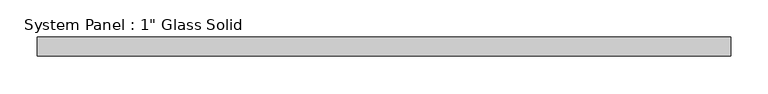
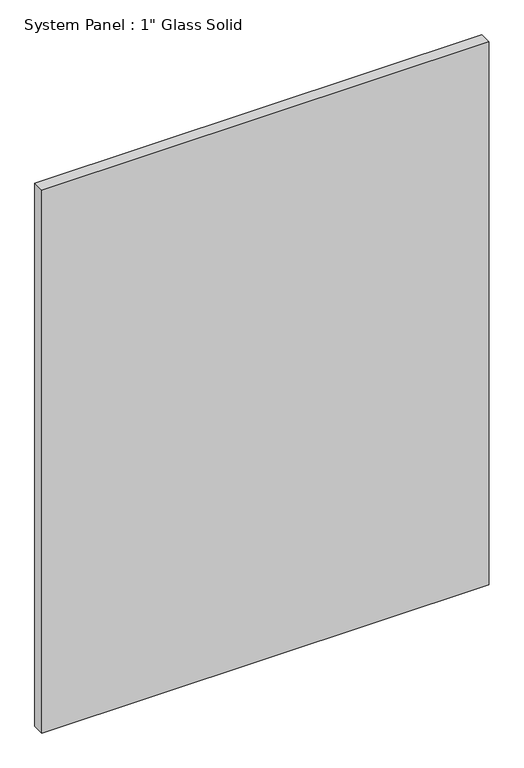
"""IFC4 building model written with IfcOpenShell, lengths in millimetres: plate geometry."""

import ifcopenshell
import ifcopenshell.guid

model = None  # the IFC model being written
_history = None  # IfcOwnerHistory: only IFC2X3 demands one
_inside = {}  # id of a spatial element -> (the spatial element, [elements in it])
_under = {}  # id of a project, library or spatial element -> (it, [spatial elements below it])
_declared = {}  # id of a project -> (the project, [libraries it declares])
_typed = {}  # id of a type object -> (the type object, [elements of that type])
_made_of = {}  # id of a material, layer set ... -> (it, [elements and type objects made of it])


def new_model(schema):
    """Start an empty IFC model of exactly this schema.

    Asked for "IFC4X3", IfcOpenShell would pick the latest addendum, in which some entities
    have other attributes; the version numbers below select the first issue.
    IFC2X3 requires an IfcOwnerHistory on every rooted entity: one is made here for all.
    """
    global model, _history
    if schema == "IFC4X3":
        model = ifcopenshell.file(schema_version=(4, 3, 0, 0))
    else:
        model = ifcopenshell.file(schema=schema)
    _inside.clear()
    _under.clear()
    _declared.clear()
    _typed.clear()
    _made_of.clear()
    _history = None
    if model.schema == "IFC2X3":
        org = make("IfcOrganization", Name="unknown")
        user = make(
            "IfcPersonAndOrganization",
            ThePerson=make("IfcPerson", FamilyName="unknown"),
            TheOrganization=org,
        )
        app = make(
            "IfcApplication",
            ApplicationDeveloper=org,
            Version="unknown",
            ApplicationFullName="unknown",
            ApplicationIdentifier="unknown",
        )
        _history = make(
            "IfcOwnerHistory",
            OwningUser=user,
            OwningApplication=app,
            ChangeAction="ADDED",
            CreationDate=0,
        )
    return model


def make(cls, **values):
    """One entity of the class cls with the attributes given. An attribute that is None is left unset."""
    return model.create_entity(
        cls, **{name: value for name, value in values.items() if value is not None}
    )


def rooted(cls, **values):
    """An entity with a GlobalId (a new one), such as an element, a storey or a relation."""
    return make(cls, GlobalId=ifcopenshell.guid.new(), OwnerHistory=_history, **values)


def si_unit(unit_type, name, prefix=None):
    """IfcSIUnit, for example si_unit("LENGTHUNIT", "METRE", prefix="MILLI")."""
    return make("IfcSIUnit", UnitType=unit_type, Prefix=prefix, Name=name)


def assignment(units):
    """IfcUnitAssignment: the units of a project."""
    return None if units is None else make("IfcUnitAssignment", Units=units)


def point(xyz):
    """IfcCartesianPoint."""
    return None if xyz is None else make("IfcCartesianPoint", Coordinates=xyz)


def direction(xyz):
    """IfcDirection."""
    return None if xyz is None else make("IfcDirection", DirectionRatios=xyz)


def frame(location, z_axis=None, x_axis=None):
    """IfcAxis2Placement3D, a coordinate frame: its origin and axes. An axis left out is left unset."""
    return make(
        "IfcAxis2Placement3D",
        Location=point(location),
        Axis=direction(z_axis),
        RefDirection=direction(x_axis),
    )


def origin():
    """The frame at (0, 0, 0) with its axes left unset."""
    return frame((0.0, 0.0, 0.0))


def origin_with_axes():
    """The frame at (0, 0, 0) with the z axis (0, 0, 1) and the x axis (1, 0, 0) written out."""
    return frame((0.0, 0.0, 0.0), z_axis=(0.0, 0.0, 1.0), x_axis=(1.0, 0.0, 0.0))


def place(relative_to, where):
    """IfcLocalPlacement: puts the frame where relative to a parent placement (None: the world)."""
    return make(
        "IfcLocalPlacement", PlacementRelTo=relative_to, RelativePlacement=where
    )


def context(
    kind, dimensions, precision=None, world=None, true_north=None, identifier=None
):
    """IfcGeometricRepresentationContext, for example the 3D "Model" context."""
    return make(
        "IfcGeometricRepresentationContext",
        ContextIdentifier=identifier,
        ContextType=kind,
        CoordinateSpaceDimension=dimensions,
        Precision=precision,
        WorldCoordinateSystem=world,
        TrueNorth=true_north,
    )


def project(units=None, contexts=None):
    """IfcProject with its units and contexts."""
    return rooted(
        "IfcProject",
        Name="project",
        RepresentationContexts=contexts,
        UnitsInContext=assignment(units),
    )


def spatial(cls, under=None, at=None, **own):
    """A site, building, storey or space (cls), placed at a placement, below another one or the project."""
    s = rooted(cls, ObjectPlacement=at, **own)
    if under is not None:
        _under.setdefault(under.id(), (under, []))[1].append(s)
    return s


def polyline(points):
    """IfcPolyline through the points."""
    return make("IfcPolyline", Points=[point(p) for p in points])


def outline(outer, holes=None, kind="AREA"):
    """IfcArbitraryClosedProfileDef: a profile drawn as a closed curve; with holes, ...WithVoids."""
    if holes is None:
        return make("IfcArbitraryClosedProfileDef", ProfileType=kind, OuterCurve=outer)
    return make(
        "IfcArbitraryProfileDefWithVoids",
        ProfileType=kind,
        OuterCurve=outer,
        InnerCurves=holes,
    )


def extrude(swept, where, along, depth):
    """IfcExtrudedAreaSolid: the profile swept, set in the frame where, extruded along a direction by depth."""
    return make(
        "IfcExtrudedAreaSolid",
        SweptArea=swept,
        Position=where,
        ExtrudedDirection=direction(along),
        Depth=depth,
    )


def shape(context_of_items, identifier, shape_type, items):
    """IfcShapeRepresentation: the items that make up one representation, for example the "Body"."""
    return make(
        "IfcShapeRepresentation",
        ContextOfItems=context_of_items,
        RepresentationIdentifier=identifier,
        RepresentationType=shape_type,
        Items=items,
    )


def source(mapping_origin, context_of_items, identifier, shape_type, items):
    """IfcRepresentationMap: a shape defined once, which mapped items show again and again."""
    return make(
        "IfcRepresentationMap",
        MappingOrigin=mapping_origin,
        MappedRepresentation=shape(context_of_items, identifier, shape_type, items),
    )


def transform(
    local_origin,
    x_axis=None,
    y_axis=None,
    z_axis=None,
    scale=None,
    scale2=None,
    scale3=None,
    uniform=True,
):
    """IfcCartesianTransformationOperator3D, or its non-uniform kind. x_axis, y_axis, z_axis: its Axis1, 2, 3."""
    if uniform:
        return make(
            "IfcCartesianTransformationOperator3D",
            Axis1=direction(x_axis),
            Axis2=direction(y_axis),
            LocalOrigin=point(local_origin),
            Scale=scale,
            Axis3=direction(z_axis),
        )
    return make(
        "IfcCartesianTransformationOperator3DnonUniform",
        Axis1=direction(x_axis),
        Axis2=direction(y_axis),
        LocalOrigin=point(local_origin),
        Scale=scale,
        Axis3=direction(z_axis),
        Scale2=scale2,
        Scale3=scale3,
    )


def mapped(mapping_source, mapping_target):
    """IfcMappedItem: shows the shape of a source again, moved by a transform."""
    return make(
        "IfcMappedItem", MappingSource=mapping_source, MappingTarget=mapping_target
    )


def made_of(thing, what):
    """Note that an element or type object is made of a material, layer set ...; save() writes the relation."""
    if what is not None:
        _made_of.setdefault(what.id(), (what, []))[1].append(thing)
    return thing


def element(
    cls,
    number,
    at=None,
    inside=None,
    cuts=None,
    type_object=None,
    material=None,
    context=None,
    identifier="Body",
    shape_type=None,
    held_by="IfcProductDefinitionShape",
    body=None,
    shapes=None,
    **own,
):
    """One element of the class cls, such as IfcWall. Its Tag is "e" and its number.

    at: its placement. inside: the storey or other place that contains it. cuts: it is an
    opening in that element (IfcRelVoidsElement). A single representation is given by context,
    identifier, shape_type and body (its items); several are given by shapes. held_by: the class
    of the entity that holds the representations. save() writes the other relations.
    """
    e = rooted(cls, Tag="e%d" % number, ObjectPlacement=at, **own)
    if body is not None:
        shapes = [shape(context, identifier, shape_type, body)]
    if shapes is not None:
        e.Representation = make(held_by, Representations=shapes)
    if inside is not None:
        _inside.setdefault(inside.id(), (inside, []))[1].append(e)
    if cuts is not None:
        rooted(
            "IfcRelVoidsElement", RelatingBuildingElement=cuts, RelatedOpeningElement=e
        )
    if type_object is not None:
        _typed.setdefault(type_object.id(), (type_object, []))[1].append(e)
    return made_of(e, material)


def aggregate(whole, parts):
    """IfcRelAggregates: a whole, such as a stair, and the parts it consists of."""
    return rooted("IfcRelAggregates", RelatingObject=whole, RelatedObjects=parts)


def save(model, path):
    """Write the relations noted so far, then the file.

    IfcRelAggregates (storeys below a building ...), IfcRelContainedInSpatialStructure (elements
    in a storey), IfcRelDefinesByType, IfcRelAssociatesMaterial and IfcRelDeclares: one each for
    every whole, place, type object, material and project.
    """
    for whole, parts in _under.values():
        aggregate(whole, parts)
    for where, things in _inside.values():
        rooted(
            "IfcRelContainedInSpatialStructure",
            RelatedElements=things,
            RelatingStructure=where,
        )
    for kind, things in _typed.values():
        rooted("IfcRelDefinesByType", RelatedObjects=things, RelatingType=kind)
    for what, things in _made_of.values():
        rooted("IfcRelAssociatesMaterial", RelatedObjects=things, RelatingMaterial=what)
    for by, libraries in _declared.values():
        rooted("IfcRelDeclares", RelatingContext=by, RelatedDefinitions=libraries)
    model.write(path)


def plate_e8f8c461(model_context):
    return source(origin(), model_context, "Body", "SweptSolid", [
        extrude(outline(polyline([(462.75625, -12.7), (-462.75625, -12.7), (-462.75625, 12.7), (462.75625, 12.7), (462.75625, -12.7)])), origin_with_axes(), (0.0, 0.0, 1.0), 1187.4517704),
    ])


if __name__ == "__main__":
    model = new_model("IFC4")
    model_context = context("Model", 3, world=origin())
    ifc_project = project(units=[si_unit("LENGTHUNIT", "METRE", prefix="MILLI")], contexts=[model_context])
    site = spatial("IfcSite", under=ifc_project)
    building = spatial("IfcBuilding", under=site)
    placement = place(None, origin())
    plate_shape = plate_e8f8c461(model_context)
    element("IfcPlate", 1, ObjectType="System Panel : 1\" Glass Solid", at=placement, inside=building, context=model_context, shape_type="MappedRepresentation", body=[
        mapped(plate_shape, transform((0.0, 0.0, 0.0), x_axis=(1.0, 0.0, 0.0), y_axis=(0.0, 1.0, 0.0), z_axis=(0.0, 0.0, 1.0))),
    ])
    save(model, "model.ifc")
